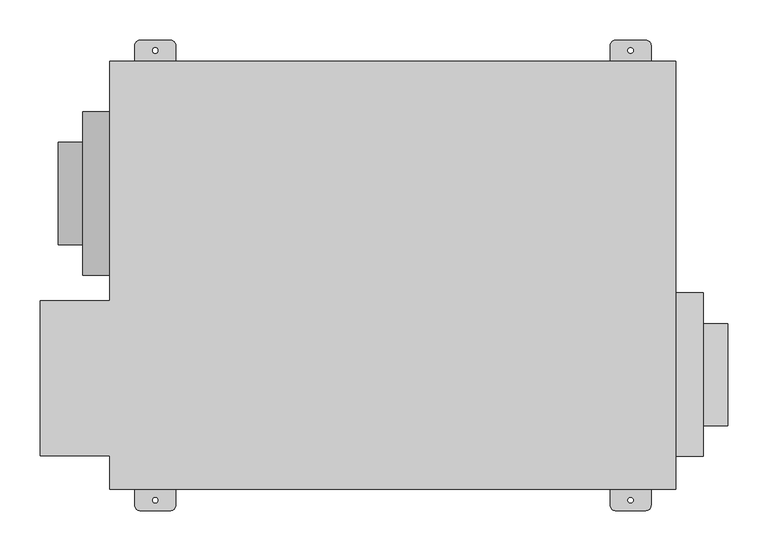
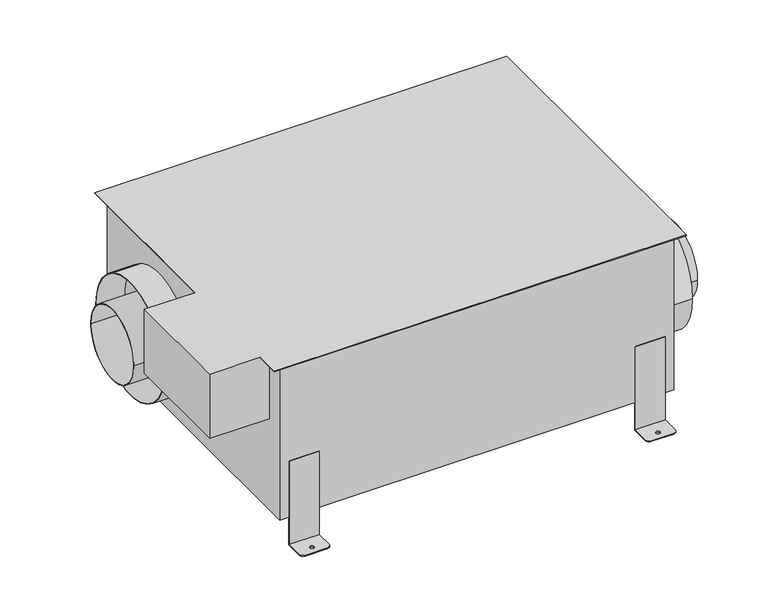
"""IFC4 building model written with IfcOpenShell, lengths in millimetres: proxy geometry."""

from ifc_helpers import new_model, si_unit, point, frame, frame_2d, origin, origin_with_axes, place, context, project, spatial, polyline, circle_curve, trimmed, segment, composite_curve, outline, extrude, faceted_brep, source, transform, mapped, element, save
from ifc_brep_helpers import plane_surface, cylinder_surface, revolved_surface, advanced_brep


def generic_models_8871a966(model_context):
    return source(origin(), model_context, "Body", "SolidModel", [
        faceted_brep([(-438.1499887, -31.4959995, 330.2), (-438.1499887, -224.3327945, 330.2), (-351.5106142, -224.3327945, 330.2), (-351.5106142, -265.7856047, 330.2), (351.5106142, -265.7856047, 330.2), (351.5106142, 265.7856047, 330.2), (-351.5106142, 265.7856047, 330.2), (-351.5106142, -31.4959995, 330.2), (-438.1499887, -31.4959995, 214.63), (-336.5499973, -31.4959995, 214.63), (-336.5499973, -224.3327945, 214.63), (-438.1499887, -224.3327945, 214.63), (-336.5499973, -224.3327945, 329.184), (-351.5106142, -224.3327945, 329.184), (-336.5499973, -31.4959995, 329.184), (-351.5106142, -31.4959995, 329.184), (351.5106142, 265.7856047, 329.184), (351.5106142, -265.7856047, 329.184), (-351.5106142, -265.7856047, 329.184), (-351.5106142, 265.7856047, 329.184)], [[[0, 1, 2, 3, 4, 5, 6, 7]], [[8, 9, 10, 11]], [[1, 0, 8, 11]], [[11, 10, 12, 13, 2, 1]], [[10, 9, 14, 12]], [[9, 8, 0, 7, 15, 14]], [[16, 17, 18, 13, 12, 14, 15, 19]], [[6, 5, 16, 19]], [[6, 19, 15, 7]], [[18, 3, 2, 13]], [[4, 3, 18, 17]], [[5, 4, 17, 16]]]),
        extrude(outline(composite_curve([segment(trimmed(circle_curve(frame_2d((-123.3169946, 178.4358315)), 63.5), [point((-59.8169946, 178.4358315))], [point((-186.8169946, 178.4358315))], False, "CARTESIAN"), True, "CONTINUOUS"), segment(trimmed(circle_curve(frame_2d((-123.3169946, 178.4358315)), 63.5), [point((-186.8169946, 178.4358315))], [point((-59.8169946, 178.4358315))], False, "CARTESIAN"), True, "CONTINUOUS")], self_intersect=False), holes=[composite_curve([segment(trimmed(circle_curve(frame_2d((-123.3169946, 178.4358315)), 62.484), [point((-60.8329946, 178.4358315))], [point((-185.8009946, 178.4358315))], True, "CARTESIAN"), True, "CONTINUOUS"), segment(trimmed(circle_curve(frame_2d((-123.3169946, 178.4358315)), 62.484), [point((-185.8009946, 178.4358315))], [point((-60.8329946, 178.4358315))], True, "CARTESIAN"), True, "CONTINUOUS")], self_intersect=False)]), frame((336.5499973, 0.0, 0.0), z_axis=(1.0, 0.0, 0.0), x_axis=(0.0, 1.0, 0.0)), (0.0, 0.0, 1.0), 79.4512033),
        extrude(outline(composite_curve([segment(trimmed(circle_curve(frame_2d((-123.3169946, 178.4358315)), 101.6), [point((-21.7169946, 178.4358315))], [point((-224.9169946, 178.4358315))], False, "CARTESIAN"), True, "CONTINUOUS"), segment(trimmed(circle_curve(frame_2d((-123.3169946, 178.4358315)), 101.6), [point((-224.9169946, 178.4358315))], [point((-21.7169946, 178.4358315))], False, "CARTESIAN"), True, "CONTINUOUS")], self_intersect=False), holes=[composite_curve([segment(trimmed(circle_curve(frame_2d((-123.3169946, 178.4358315)), 100.584), [point((-22.7329946, 178.4358315))], [point((-223.9009946, 178.4358315))], True, "CARTESIAN"), True, "CONTINUOUS"), segment(trimmed(circle_curve(frame_2d((-123.3169946, 178.4358315)), 100.584), [point((-223.9009946, 178.4358315))], [point((-22.7329946, 178.4358315))], True, "CARTESIAN"), True, "CONTINUOUS")], self_intersect=False)]), frame((336.5499973, 0.0, 0.0), z_axis=(1.0, 0.0, 0.0), x_axis=(0.0, 1.0, 0.0)), (0.0, 0.0, 1.0), 48.9712059),
        extrude(outline(polyline([(269.8826699, 254.914403), (269.8826699, 256.4384104), (320.6826655, 256.4384104), (320.6826655, 254.914403), (269.8826699, 254.914403)])), origin_with_axes(), (0.0, 0.0, 1.0), 151.384),
        extrude(outline(polyline([(-269.8826699, 254.914403), (-320.6826655, 254.914403), (-320.6826655, 256.4384104), (-269.8826699, 256.4384104), (-269.8826699, 254.914403)])), origin_with_axes(), (0.0, 0.0, 1.0), 151.384),
        extrude(outline(polyline([(336.5499973, 254.914403), (336.5499973, -254.914403), (-336.5499973, -254.914403), (-336.5499973, 254.914403), (336.5499973, 254.914403)])), frame((0.0, 0.0, 49.784), z_axis=(0.0, 0.0, 1.0), x_axis=(1.0, 0.0, 0.0)), (0.0, 0.0, 1.0), 279.4),
        extrude(outline(composite_curve([segment(trimmed(circle_curve(frame_2d((101.6, 178.4358315)), 63.5), [point((165.1, 178.4358315))], [point((38.1, 178.4358315))], False, "CARTESIAN"), True, "CONTINUOUS"), segment(trimmed(circle_curve(frame_2d((101.6, 178.4358315)), 63.5), [point((38.1, 178.4358315))], [point((165.1, 178.4358315))], False, "CARTESIAN"), True, "CONTINUOUS")], self_intersect=False), holes=[composite_curve([segment(trimmed(circle_curve(frame_2d((101.6, 178.4358315)), 62.484), [point((164.084, 178.4358315))], [point((39.116, 178.4358315))], True, "CARTESIAN"), True, "CONTINUOUS"), segment(trimmed(circle_curve(frame_2d((101.6, 178.4358315)), 62.484), [point((39.116, 178.4358315))], [point((164.084, 178.4358315))], True, "CARTESIAN"), True, "CONTINUOUS")], self_intersect=False)]), frame((-416.0012007, 0.0, 0.0), z_axis=(1.0, 0.0, 0.0), x_axis=(0.0, 1.0, 0.0)), (0.0, 0.0, 1.0), 79.4512033),
        extrude(outline(composite_curve([segment(trimmed(circle_curve(frame_2d((101.6, 178.4358315)), 101.6), [point((203.2, 178.4358315))], [point((0.0, 178.4358315))], False, "CARTESIAN"), True, "CONTINUOUS"), segment(trimmed(circle_curve(frame_2d((101.6, 178.4358315)), 101.6), [point((0.0, 178.4358315))], [point((203.2, 178.4358315))], False, "CARTESIAN"), True, "CONTINUOUS")], self_intersect=False), holes=[composite_curve([segment(trimmed(circle_curve(frame_2d((101.6, 178.4358315)), 100.584), [point((202.184, 178.4358315))], [point((1.016, 178.4358315))], True, "CARTESIAN"), True, "CONTINUOUS"), segment(trimmed(circle_curve(frame_2d((101.6, 178.4358315)), 100.584), [point((1.016, 178.4358315))], [point((202.184, 178.4358315))], True, "CARTESIAN"), True, "CONTINUOUS")], self_intersect=False)]), frame((-385.5212033, 0.0, 0.0), z_axis=(1.0, 0.0, 0.0), x_axis=(0.0, 1.0, 0.0)), (0.0, 0.0, 1.0), 48.9712059),
        advanced_brep(
        [(-320.6826655, -285.7567563, 1.524), (-314.3250048, -292.1000123, 1.524), (-276.2250048, -292.1000123, 1.524), (-269.8826699, -285.7469042, 1.524), (-269.8826699, -256.4384104, 1.524), (-320.6826655, -256.4384104, 1.524), (-298.6608691, -279.4000169, 1.524), (-291.9044691, -279.4000169, 1.524), (-320.6826655, -254.914403, 0.0), (-269.8826699, -254.914403, 0.0), (-269.8826699, -285.7469042, 0.0), (-276.2250048, -292.1000123, 0.0), (-314.3250048, -292.1000123, 0.0), (-320.6826655, -285.7567563, 0.0), (-298.6608691, -279.4000169, 0.0), (-291.9044691, -279.4000169, 0.0), (-269.8826699, -254.914403, 151.384), (-269.8826699, -256.4384104, 151.384), (-320.6826655, -254.914403, 151.384), (-320.6826655, -256.4384104, 151.384)],
        [
            (0, 1, circle_curve(frame((-314.3326691, -285.7500169, 1.524), z_axis=(0.0, 0.0, 1.0), x_axis=(1.0, 0.0, 0.0)), 6.35)),
            (1, 2),
            (2, 3, circle_curve(frame((-276.2326691, -285.7500169, 1.524), z_axis=(0.0, 0.0, 1.0), x_axis=(1.0, 0.0, 0.0)), 6.35)),
            (3, 4),
            (4, 5),
            (5, 0),
            (6, 7, circle_curve(frame((-295.2826691, -279.4000169, 1.524), z_axis=(0.0, 0.0, -1.0), x_axis=(1.0, 0.0, 0.0)), 3.3782)),
            (7, 6, circle_curve(frame((-295.2826691, -279.4000169, 1.524), z_axis=(0.0, 0.0, -1.0), x_axis=(1.0, 0.0, 0.0)), 3.3782)),
            (8, 9),
            (9, 10),
            (10, 11, circle_curve(frame((-276.2326691, -285.7500169, 0.0), z_axis=(0.0, 0.0, -1.0), x_axis=(1.0, 0.0, 0.0)), 6.35)),
            (11, 12),
            (12, 13, circle_curve(frame((-314.3326691, -285.7500169, 0.0), z_axis=(0.0, 0.0, -1.0), x_axis=(1.0, 0.0, 0.0)), 6.35)),
            (13, 8),
            (14, 15, circle_curve(frame((-295.2826691, -279.4000169, 0.0), z_axis=(0.0, 0.0, 1.0), x_axis=(1.0, 0.0, 0.0)), 3.3782)),
            (15, 14, circle_curve(frame((-295.2826691, -279.4000169, 0.0), z_axis=(0.0, 0.0, 1.0), x_axis=(1.0, 0.0, 0.0)), 3.3782)),
            (0, 13),
            (12, 1),
            (11, 2),
            (10, 3),
            (9, 16),
            (16, 17),
            (17, 4),
            (8, 18),
            (18, 16),
            (5, 19),
            (19, 18),
            (6, 14),
            (15, 7),
            (19, 17),
        ],
        [
            plane_surface(frame((-307.9826691, -285.7500169, 1.524), z_axis=(0.0, 0.0, 1.0), x_axis=(0.0, 1.0, 0.0))),
            plane_surface(frame((-307.9826691, -285.7500169, 0.0), z_axis=(0.0, 0.0, -1.0), x_axis=(0.0, -1.0, 0.0))),
            cylinder_surface(frame((-314.3326691, -285.7500169, 0.0), z_axis=(0.0, 0.0, 1.0), x_axis=(1.0, 0.0, 0.0)), 6.35),
            plane_surface(frame((-314.3250048, -292.1000123, 1.524), z_axis=(0.0, -1.0, 0.0), x_axis=(0.0, 0.0, -1.0))),
            cylinder_surface(frame((-276.2326691, -285.7500169, 0.0), z_axis=(0.0, 0.0, 1.0), x_axis=(1.0, 0.0, 0.0)), 6.35),
            plane_surface(frame((-269.8826699, -285.7469042, 1.524), z_axis=(1.0, 0.0, 0.0), x_axis=(0.0, 0.0, -1.0))),
            plane_surface(frame((-269.8826699, -254.914403, 1.524), z_axis=(0.0, 1.0, 0.0), x_axis=(0.0, 0.0, -1.0))),
            plane_surface(frame((-320.6826655, -254.914403, 1.524), z_axis=(-1.0, 0.0, 0.0), x_axis=(0.0, 0.0, -1.0))),
            revolved_surface(polyline([(-291.90446910000003, -279.4000169, 0.0), (-291.90446910000003, -279.4000169, 1.524)]), (-295.2826691, -279.4000169, 0.0), (0.0, 0.0, -1.0)),
            plane_surface(frame((171.442339, -254.914403, 151.384), z_axis=(0.0, 0.0, 1.0), x_axis=(-1.0, 0.0, 0.0))),
            plane_surface(frame((-320.6826655, -256.4384104, 151.384), z_axis=(0.0, -1.0, 0.0), x_axis=(0.0, 0.0, -1.0))),
        ],
        [
            (0, [[1, 2, 3, 4, 5, 6], [7, 8]]),
            (1, [[9, 10, 11, 12, 13, 14], [15, 16]]),
            (2, [[-1, 17, -13, 18]]),
            (3, [[-2, -18, -12, 19]]),
            (4, [[-3, -19, -11, 20]]),
            (5, [[-20, -10, 21, 22, 23, -4]]),
            (6, [[-9, 24, 25, -21]]),
            (7, [[-17, -6, 26, 27, -24, -14]]),
            (8, [[-7, 28, -16, 29]]),
            (8, [[-8, -29, -15, -28]]),
            (9, [[-25, -27, 30, -22]]),
            (10, [[-30, -26, -5, -23]]),
        ],
    ),
        advanced_brep(
        [(269.8826699, -285.7469042, 1.524), (276.2250048, -292.1000123, 1.524), (314.3250048, -292.1000123, 1.524), (320.6826655, -285.7567563, 1.524), (320.6826655, -256.4384104, 1.524), (269.8826699, -256.4384104, 1.524), (298.6608691, -279.4000169, 1.524), (291.9044691, -279.4000169, 1.524), (320.6826655, -254.914403, 0.0), (320.6826655, -285.7567563, 0.0), (314.3250048, -292.1000123, 0.0), (276.2250048, -292.1000123, 0.0), (269.8826699, -285.7469042, 0.0), (269.8826699, -254.914403, 0.0), (298.6608691, -279.4000169, 0.0), (291.9044691, -279.4000169, 0.0), (320.6826655, -254.914403, 151.384), (320.6826655, -256.4384104, 151.384), (269.8826699, -254.914403, 151.384), (269.8826699, -256.4384104, 151.384)],
        [
            (0, 1, circle_curve(frame((276.2326691, -285.7500169, 1.524), z_axis=(0.0, 0.0, 1.0), x_axis=(-1.0, 0.0, 0.0)), 6.35)),
            (1, 2),
            (2, 3, circle_curve(frame((314.3326691, -285.7500169, 1.524), z_axis=(0.0, 0.0, 1.0), x_axis=(-1.0, 0.0, 0.0)), 6.35)),
            (3, 4),
            (4, 5),
            (5, 0),
            (6, 7, circle_curve(frame((295.2826691, -279.4000169, 1.524), z_axis=(0.0, 0.0, -1.0), x_axis=(-1.0, 0.0, 0.0)), 3.3782)),
            (7, 6, circle_curve(frame((295.2826691, -279.4000169, 1.524), z_axis=(0.0, 0.0, -1.0), x_axis=(-1.0, 0.0, 0.0)), 3.3782)),
            (8, 9),
            (9, 10, circle_curve(frame((314.3326691, -285.7500169, 0.0), z_axis=(0.0, 0.0, -1.0), x_axis=(-1.0, 0.0, 0.0)), 6.35)),
            (10, 11),
            (11, 12, circle_curve(frame((276.2326691, -285.7500169, 0.0), z_axis=(0.0, 0.0, -1.0), x_axis=(-1.0, 0.0, 0.0)), 6.35)),
            (12, 13),
            (13, 8),
            (14, 15, circle_curve(frame((295.2826691, -279.4000169, 0.0), z_axis=(0.0, 0.0, 1.0), x_axis=(-1.0, 0.0, 0.0)), 3.3782)),
            (15, 14, circle_curve(frame((295.2826691, -279.4000169, 0.0), z_axis=(0.0, 0.0, 1.0), x_axis=(-1.0, 0.0, 0.0)), 3.3782)),
            (3, 9),
            (8, 16),
            (16, 17),
            (17, 4),
            (13, 18),
            (18, 16),
            (12, 0),
            (5, 19),
            (19, 18),
            (11, 1),
            (10, 2),
            (6, 14),
            (15, 7),
            (19, 17),
        ],
        [
            plane_surface(frame((-307.9826691, -285.7500169, 1.524), z_axis=(0.0, 0.0, 1.0), x_axis=(0.0, 1.0, 0.0))),
            plane_surface(frame((-307.9826691, -285.7500169, 0.0), z_axis=(0.0, 0.0, -1.0), x_axis=(0.0, -1.0, 0.0))),
            plane_surface(frame((320.6826655, -285.7567563, 1.524), z_axis=(1.0, 0.0, 0.0), x_axis=(0.0, 0.0, -1.0))),
            plane_surface(frame((320.6826655, -254.914403, 1.524), z_axis=(0.0, 1.0, 0.0), x_axis=(0.0, 0.0, -1.0))),
            plane_surface(frame((269.8826699, -254.914403, 1.524), z_axis=(-1.0, 0.0, 0.0), x_axis=(0.0, 0.0, -1.0))),
            cylinder_surface(frame((276.2326691, -285.7500169, 0.0), z_axis=(0.0, 0.0, 1.0), x_axis=(-1.0, 0.0, 0.0)), 6.35),
            plane_surface(frame((276.2250048, -292.1000123, 1.524), z_axis=(0.0, -1.0, 0.0), x_axis=(0.0, 0.0, -1.0))),
            cylinder_surface(frame((314.3326691, -285.7500169, 0.0), z_axis=(0.0, 0.0, 1.0), x_axis=(-1.0, 0.0, 0.0)), 6.35),
            revolved_surface(polyline([(291.90446910000003, -279.4000169, 0.0), (291.90446910000003, -279.4000169, 1.524)]), (295.2826691, -279.4000169, 0.0), (0.0, 0.0, -1.0)),
            plane_surface(frame((269.8826699, -286.6644026, 151.384), z_axis=(0.0, 0.0, 1.0), x_axis=(0.0, -1.0, 0.0))),
            plane_surface(frame((269.8826699, -256.4384104, 151.384), z_axis=(0.0, -1.0, 0.0), x_axis=(0.0, 0.0, -1.0))),
        ],
        [
            (0, [[1, 2, 3, 4, 5, 6], [7, 8]]),
            (1, [[9, 10, 11, 12, 13, 14], [15, 16]]),
            (2, [[17, -9, 18, 19, 20, -4]]),
            (3, [[-18, -14, 21, 22]]),
            (4, [[-21, -13, 23, -6, 24, 25]]),
            (5, [[-1, -23, -12, 26]]),
            (6, [[-2, -26, -11, 27]]),
            (7, [[-3, -27, -10, -17]]),
            (8, [[-7, 28, -16, 29]]),
            (8, [[-8, -29, -15, -28]]),
            (9, [[-25, 30, -19, -22]]),
            (10, [[-30, -24, -5, -20]]),
        ],
    ),
        advanced_brep(
        [(-320.6826655, 285.7567563, 1.524), (-320.6826655, 254.914403, 1.524), (-269.8826699, 254.914403, 1.524), (-269.8826699, 285.7469042, 1.524), (-276.2250048, 292.1000123, 1.524), (-314.3250048, 292.1000123, 1.524), (-298.6608691, 279.4000169, 1.524), (-291.9044691, 279.4000169, 1.524), (-320.6826655, 285.7567563, 0.0), (-314.3250048, 292.1000123, 0.0), (-276.2250048, 292.1000123, 0.0), (-269.8826699, 285.7469042, 0.0), (-269.8826699, 254.914403, 0.0), (-320.6826655, 254.914403, 0.0), (-298.6608691, 279.4000169, 0.0), (-291.9044691, 279.4000169, 0.0)],
        [
            (0, 1),
            (1, 2),
            (2, 3),
            (3, 4, circle_curve(frame((-276.2326691, 285.7500169, 1.524), z_axis=(0.0, 0.0, 1.0), x_axis=(1.0, 0.0, 0.0)), 6.35)),
            (4, 5),
            (5, 0, circle_curve(frame((-314.3326691, 285.7500169, 1.524), z_axis=(0.0, 0.0, 1.0), x_axis=(1.0, 0.0, 0.0)), 6.35)),
            (6, 7, circle_curve(frame((-295.2826691, 279.4000169, 1.524), z_axis=(0.0, 0.0, -1.0), x_axis=(1.0, 0.0, 0.0)), 3.3782)),
            (7, 6, circle_curve(frame((-295.2826691, 279.4000169, 1.524), z_axis=(0.0, 0.0, -1.0), x_axis=(1.0, 0.0, 0.0)), 3.3782)),
            (8, 9, circle_curve(frame((-314.3326691, 285.7500169, 0.0), z_axis=(0.0, 0.0, -1.0), x_axis=(1.0, 0.0, 0.0)), 6.35)),
            (9, 10),
            (10, 11, circle_curve(frame((-276.2326691, 285.7500169, 0.0), z_axis=(0.0, 0.0, -1.0), x_axis=(1.0, 0.0, 0.0)), 6.35)),
            (11, 12),
            (12, 13),
            (13, 8),
            (14, 15, circle_curve(frame((-295.2826691, 279.4000169, 0.0), z_axis=(0.0, 0.0, 1.0), x_axis=(1.0, 0.0, 0.0)), 3.3782)),
            (15, 14, circle_curve(frame((-295.2826691, 279.4000169, 0.0), z_axis=(0.0, 0.0, 1.0), x_axis=(1.0, 0.0, 0.0)), 3.3782)),
            (0, 8),
            (13, 1),
            (12, 2),
            (11, 3),
            (10, 4),
            (9, 5),
            (6, 14),
            (15, 7),
        ],
        [
            plane_surface(frame((-307.9826691, -285.7500169, 1.524), z_axis=(0.0, 0.0, 1.0), x_axis=(0.0, 1.0, 0.0))),
            plane_surface(frame((-307.9826691, -285.7500169, 0.0), z_axis=(0.0, 0.0, -1.0), x_axis=(0.0, -1.0, 0.0))),
            plane_surface(frame((-320.6826655, 285.7567563, 1.524), z_axis=(-1.0, 0.0, 0.0), x_axis=(0.0, 0.0, -1.0))),
            plane_surface(frame((-320.6826655, 254.914403, 1.524), z_axis=(0.0, -1.0, 0.0), x_axis=(0.0, 0.0, -1.0))),
            plane_surface(frame((-269.8826699, 254.914403, 1.524), z_axis=(1.0, 0.0, 0.0), x_axis=(0.0, 0.0, -1.0))),
            cylinder_surface(frame((-276.2326691, 285.7500169, 0.0), z_axis=(0.0, 0.0, 1.0), x_axis=(1.0, 0.0, 0.0)), 6.35),
            plane_surface(frame((-276.2250048, 292.1000123, 1.524), z_axis=(0.0, 1.0, 0.0), x_axis=(0.0, 0.0, -1.0))),
            cylinder_surface(frame((-314.3326691, 285.7500169, 0.0), z_axis=(0.0, 0.0, 1.0), x_axis=(1.0, 0.0, 0.0)), 6.35),
            revolved_surface(polyline([(-291.90446910000003, 279.4000169, 0.0), (-291.90446910000003, 279.4000169, 1.524)]), (-295.2826691, 279.4000169, 0.0), (0.0, 0.0, -1.0)),
        ],
        [
            (0, [[1, 2, 3, 4, 5, 6], [7, 8]]),
            (1, [[9, 10, 11, 12, 13, 14], [15, 16]]),
            (2, [[-1, 17, -14, 18]]),
            (3, [[-2, -18, -13, 19]]),
            (4, [[-3, -19, -12, 20]]),
            (5, [[-4, -20, -11, 21]]),
            (6, [[-5, -21, -10, 22]]),
            (7, [[-6, -22, -9, -17]]),
            (8, [[-7, 23, -16, 24]]),
            (8, [[-8, -24, -15, -23]]),
        ],
    ),
        advanced_brep(
        [(320.6826655, 285.7567563, 1.524), (314.3250048, 292.1000123, 1.524), (276.2250048, 292.1000123, 1.524), (269.8826699, 285.7469042, 1.524), (269.8826699, 254.914403, 1.524), (320.6826655, 254.914403, 1.524), (298.6608691, 279.4000169, 1.524), (291.9044691, 279.4000169, 1.524), (320.6826655, 285.7567563, 0.0), (320.6826655, 254.914403, 0.0), (269.8826699, 254.914403, 0.0), (269.8826699, 285.7469042, 0.0), (276.2250048, 292.1000123, 0.0), (314.3250048, 292.1000123, 0.0), (298.6608691, 279.4000169, 0.0), (291.9044691, 279.4000169, 0.0)],
        [
            (0, 1, circle_curve(frame((314.3326691, 285.7500169, 1.524), z_axis=(0.0, 0.0, 1.0), x_axis=(-1.0, 0.0, 0.0)), 6.35)),
            (1, 2),
            (2, 3, circle_curve(frame((276.2326691, 285.7500169, 1.524), z_axis=(0.0, 0.0, 1.0), x_axis=(-1.0, 0.0, 0.0)), 6.35)),
            (3, 4),
            (4, 5),
            (5, 0),
            (6, 7, circle_curve(frame((295.2826691, 279.4000169, 1.524), z_axis=(0.0, 0.0, -1.0), x_axis=(-1.0, 0.0, 0.0)), 3.3782)),
            (7, 6, circle_curve(frame((295.2826691, 279.4000169, 1.524), z_axis=(0.0, 0.0, -1.0), x_axis=(-1.0, 0.0, 0.0)), 3.3782)),
            (8, 9),
            (9, 10),
            (10, 11),
            (11, 12, circle_curve(frame((276.2326691, 285.7500169, 0.0), z_axis=(0.0, 0.0, -1.0), x_axis=(-1.0, 0.0, 0.0)), 6.35)),
            (12, 13),
            (13, 8, circle_curve(frame((314.3326691, 285.7500169, 0.0), z_axis=(0.0, 0.0, -1.0), x_axis=(-1.0, 0.0, 0.0)), 6.35)),
            (14, 15, circle_curve(frame((295.2826691, 279.4000169, 0.0), z_axis=(0.0, 0.0, 1.0), x_axis=(-1.0, 0.0, 0.0)), 3.3782)),
            (15, 14, circle_curve(frame((295.2826691, 279.4000169, 0.0), z_axis=(0.0, 0.0, 1.0), x_axis=(-1.0, 0.0, 0.0)), 3.3782)),
            (0, 8),
            (13, 1),
            (12, 2),
            (11, 3),
            (10, 4),
            (9, 5),
            (6, 14),
            (15, 7),
        ],
        [
            plane_surface(frame((-307.9826691, -285.7500169, 1.524), z_axis=(0.0, 0.0, 1.0), x_axis=(0.0, 1.0, 0.0))),
            plane_surface(frame((-307.9826691, -285.7500169, 0.0), z_axis=(0.0, 0.0, -1.0), x_axis=(0.0, -1.0, 0.0))),
            cylinder_surface(frame((314.3326691, 285.7500169, 0.0), z_axis=(0.0, 0.0, 1.0), x_axis=(-1.0, 0.0, 0.0)), 6.35),
            plane_surface(frame((314.3250048, 292.1000123, 1.524), z_axis=(0.0, 1.0, 0.0), x_axis=(0.0, 0.0, -1.0))),
            cylinder_surface(frame((276.2326691, 285.7500169, 0.0), z_axis=(0.0, 0.0, 1.0), x_axis=(-1.0, 0.0, 0.0)), 6.35),
            plane_surface(frame((269.8826699, 285.7469042, 1.524), z_axis=(-1.0, 0.0, 0.0), x_axis=(0.0, 0.0, -1.0))),
            plane_surface(frame((269.8826699, 254.914403, 1.524), z_axis=(0.0, -1.0, 0.0), x_axis=(0.0, 0.0, -1.0))),
            plane_surface(frame((320.6826655, 254.914403, 1.524), z_axis=(1.0, 0.0, 0.0), x_axis=(0.0, 0.0, -1.0))),
            revolved_surface(polyline([(291.90446910000003, 279.4000169, 0.0), (291.90446910000003, 279.4000169, 1.524)]), (295.2826691, 279.4000169, 0.0), (0.0, 0.0, -1.0)),
        ],
        [
            (0, [[1, 2, 3, 4, 5, 6], [7, 8]]),
            (1, [[9, 10, 11, 12, 13, 14], [15, 16]]),
            (2, [[-1, 17, -14, 18]]),
            (3, [[-2, -18, -13, 19]]),
            (4, [[-3, -19, -12, 20]]),
            (5, [[-4, -20, -11, 21]]),
            (6, [[-5, -21, -10, 22]]),
            (7, [[-6, -22, -9, -17]]),
            (8, [[-7, 23, -16, 24]]),
            (8, [[-8, -24, -15, -23]]),
        ],
    ),
    ])


if __name__ == "__main__":
    model = new_model("IFC4")
    model_context = context("Model", 3, world=origin())
    ifc_project = project(units=[si_unit("LENGTHUNIT", "METRE", prefix="MILLI")], contexts=[model_context])
    site = spatial("IfcSite", under=ifc_project)
    building = spatial("IfcBuilding", under=site)
    placement = place(None, origin())
    generic_models_shape = generic_models_8871a966(model_context)
    element("IfcBuildingElementProxy", 1, Name="Generic Models", at=placement, inside=building, context=model_context, shape_type="MappedRepresentation", body=[
        mapped(generic_models_shape, transform((0.0, 0.0, 0.0), x_axis=(1.0, 0.0, 0.0), y_axis=(0.0, 1.0, 0.0), z_axis=(0.0, 0.0, 1.0))),
    ])
    save(model, "model.ifc")
